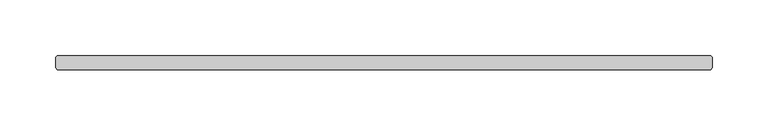
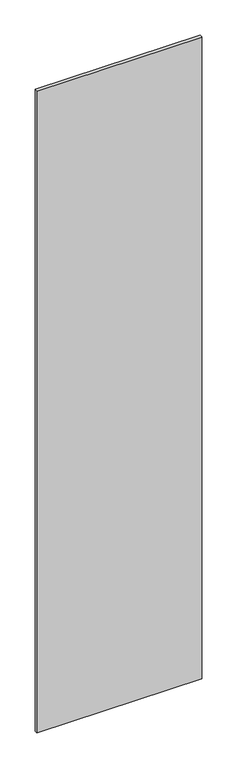
"""IFC4 building model written with IfcOpenShell, lengths in millimetres: plate geometry."""

from ifc_helpers import new_model, si_unit, origin, origin_with_axes, place, context, project, spatial, polyline, outline, extrude, source, transform, mapped, element, save


def plate_2fa217e4(model_context):
    return source(origin(), model_context, "Body", "SweptSolid", [
        extrude(outline(polyline([(294.084375, 36.5125), (295.671875, 34.925), (295.671875, 25.4), (294.084375, 23.8125), (-294.084375, 23.8125), (-295.671875, 25.4), (-295.671875, 34.925), (-294.084375, 36.5125), (294.084375, 36.5125)])), origin_with_axes(), (0.0, 0.0, 1.0), 2428.7789267),
    ])


if __name__ == "__main__":
    model = new_model("IFC4")
    model_context = context("Model", 3, world=origin())
    ifc_project = project(units=[si_unit("LENGTHUNIT", "METRE", prefix="MILLI")], contexts=[model_context])
    site = spatial("IfcSite", under=ifc_project)
    building = spatial("IfcBuilding", under=site)
    placement = place(None, origin())
    plate_shape = plate_2fa217e4(model_context)
    element("IfcPlate", 1, at=placement, inside=building, context=model_context, shape_type="MappedRepresentation", body=[
        mapped(plate_shape, transform((0.0, 0.0, 0.0), x_axis=(1.0, 0.0, 0.0), y_axis=(0.0, 1.0, 0.0), z_axis=(0.0, 0.0, 1.0))),
    ])
    save(model, "model.ifc")
